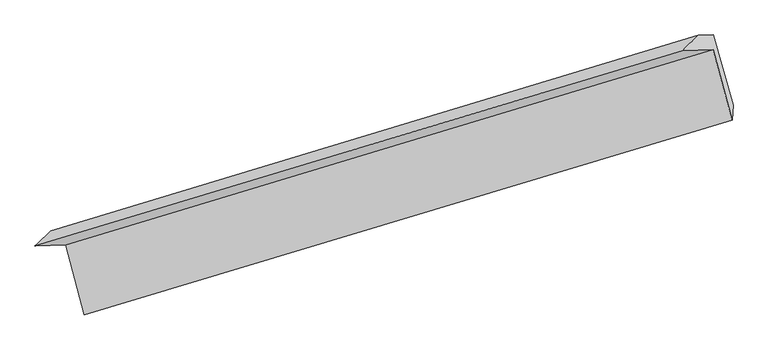
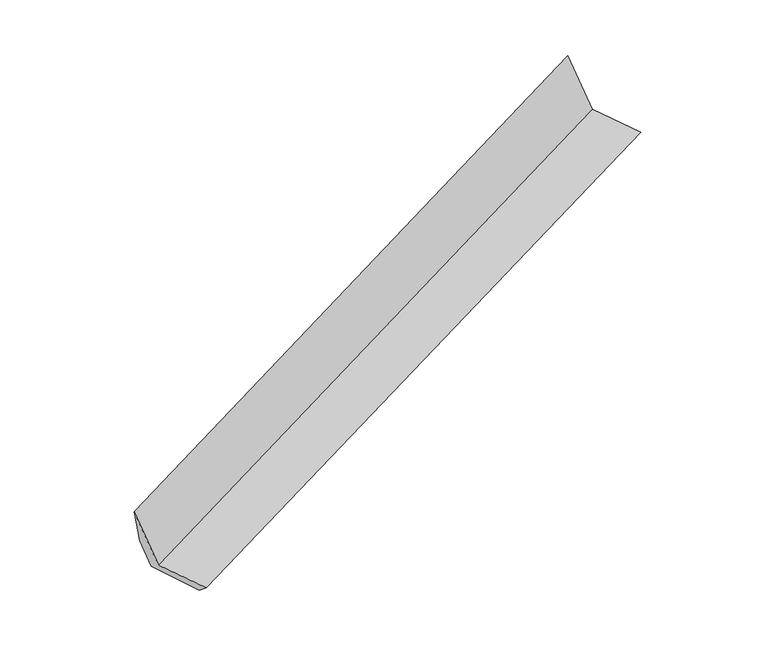
"""IFC4 building model written with IfcOpenShell, lengths in millimetres: proxy geometry."""

from ifc_helpers import new_model, si_unit, frame, origin, place, context, project, spatial, source, transform, mapped, element, save
from ifc_brep_helpers import plane_surface, spline_surface, advanced_brep


def generic_models_7946fd4c(model_context):
    return source(origin(), model_context, "Body", "AdvancedBrep", [
        advanced_brep(
        [(-5819.5451716, -2254.6211532, 640.7397835), (-5647.7316516, -2894.6253006, 697.610964), (294.930887, -1107.2878104, 2975.1203732), (120.5340979, -457.661004, 2917.394117), (-6101.697087, -2264.2732575, 1384.5282301), (-161.6178175, -467.3131082, 3661.1825636), (-5957.8733692, -2125.5167884, 899.7536583), (-14.2475408, -328.4353154, 3167.05881), (-5824.8577359, -2120.9664711, 549.1074783), (122.3146515, -323.7636742, 2807.0634482), (-5646.1599651, -2755.881851, 584.0002203), (303.7195399, -968.2974764, 2842.4847853)],
        [
            (0, 1),
            (1, 2),
            (2, 3),
            (3, 0),
            (4, 0),
            (3, 5),
            (5, 4),
            (6, 4),
            (5, 7),
            (7, 6),
            (8, 6),
            (7, 9),
            (9, 8),
            (10, 8),
            (9, 11),
            (11, 10),
            (1, 10),
            (11, 2),
        ],
        [
            plane_surface(frame((-5733.6384116, -2574.6232269, 669.1753737), z_axis=(-0.35465589231981787, -0.012132384907035068, 0.9349181799918651), x_axis=(0.25832690680497356, -0.9622659014679597, 0.08550756745826417))),
            plane_surface(frame((-5960.6211293, -2259.4472053, 1012.6340068), z_axis=(0.25832690680496956, -0.9622659014679616, 0.08550756745825479), x_axis=(0.35465589231981653, 0.012132384907042283, -0.9349181799918654))),
            spline_surface(1, 1, [[(-5957.8733692, -2125.5167884, 899.7536583), (-14.2475408, -328.4353154, 3167.05881)], [(-6101.697087, -2264.2732575, 1384.5282301), (-161.6178175, -467.3131082, 3661.1825636)]], [2, 2], [2, 2], [0.0, 1.0], [0.0, 1.0]),
            plane_surface(frame((-5891.3655525, -2123.2416297, 724.4305683), z_axis=(-0.2583269068049701, 0.9622659014679614, -0.08550756745825516), x_axis=(-0.3546558923198173, -0.012132384907042394, 0.9349181799918651))),
            plane_surface(frame((-5735.5088505, -2438.424161, 566.5538493), z_axis=(0.34270568288449865, 0.044885417352903044, -0.9383699239786648), x_axis=(-0.2705468531776386, 0.9612563009532861, -0.052827304618754914))),
            spline_surface(1, 1, [[(-5647.7316516, -2894.6253006, 697.610964), (294.930887, -1107.2878104, 2975.1203732)], [(-5646.1599651, -2755.881851, 584.0002203), (303.7195399, -968.2974764, 2842.4847853)]], [2, 2], [2, 2], [0.0, 1.0], [0.0, 1.0]),
            plane_surface(frame((110.9389697, -608.7930648, 3061.7173496), z_axis=(0.898602474547785, 0.271840284190052, 0.3444073933992553), x_axis=(-0.3546558923198173, -0.012132384907042394, 0.9349181799918651))),
            plane_surface(frame((-5832.9774967, -2402.6474703, 792.6233891), z_axis=(-0.8986024745477887, -0.2718402841900375, -0.3444073933992567), x_axis=(-0.25832690680497183, 0.9622659014679608, -0.08550756745825694))),
        ],
        [
            (0, [[1, 2, 3, 4]]),
            (1, [[5, -4, 6, 7]]),
            (2, [[8, -7, 9, 10]]),
            (3, [[11, -10, 12, 13]]),
            (4, [[14, -13, 15, 16]]),
            (5, [[17, -16, 18, -2]]),
            (6, [[-12, -9, -6, -3, -18, -15]]),
            (7, [[-1, -5, -8, -11, -14, -17]]),
        ],
    ),
    ])


if __name__ == "__main__":
    model = new_model("IFC4")
    model_context = context("Model", 3, world=origin())
    ifc_project = project(units=[si_unit("LENGTHUNIT", "METRE", prefix="MILLI")], contexts=[model_context])
    site = spatial("IfcSite", under=ifc_project)
    building = spatial("IfcBuilding", under=site)
    placement = place(None, origin())
    generic_models_shape = generic_models_7946fd4c(model_context)
    element("IfcBuildingElementProxy", 1, Name="Generic Models", at=placement, inside=building, context=model_context, shape_type="MappedRepresentation", body=[
        mapped(generic_models_shape, transform((0.0, 0.0, 0.0), x_axis=(1.0, 0.0, 0.0), y_axis=(0.0, 1.0, 0.0), z_axis=(0.0, 0.0, 1.0))),
    ])
    save(model, "model.ifc")
